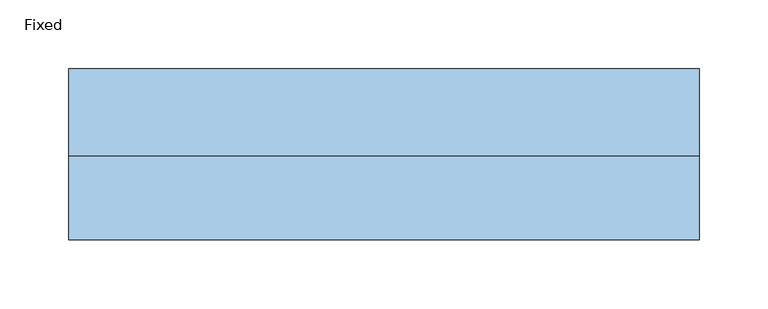
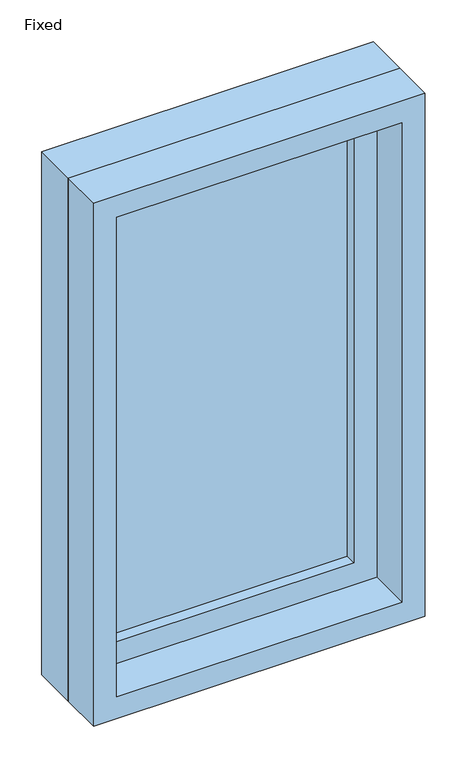
"""IFC4 building model written with IfcOpenShell, lengths in millimetres: window geometry, Fixed."""

from ifc_helpers import new_model, si_unit, frame, origin, place, context, project, spatial, polyline, outline, extrude, source, transform, mapped, element, save


def fixed_e57d0eb2(model_context):
    return source(origin(), model_context, "Body", "SweptSolid", [
        extrude(outline(polyline([(127.0, 14.2875), (-203.2, 14.2875), (-203.2, 26.9875), (127.0, 26.9875), (127.0, 14.2875)])), frame((0.0, 0.0, 1130.3), z_axis=(0.0, 0.0, 1.0), x_axis=(1.0, 0.0, 0.0)), (0.0, 0.0, 1.0), 635.0),
        extrude(outline(polyline([(1809.75, -247.65), (1085.85, -247.65), (1085.85, 171.45), (1809.75, 171.45), (1809.75, -247.65)]), holes=[polyline([(1765.3, -203.2), (1765.3, 127.0), (1130.3, 127.0), (1130.3, -203.2), (1765.3, -203.2)])]), frame((0.0, -1.5875, 0.0), z_axis=(0.0, 1.0, 0.0), x_axis=(0.0, 0.0, 1.0)), (0.0, 0.0, 1.0), 44.45),
        extrude(outline(polyline([(1828.8, -266.7), (1066.8, -266.7), (1066.8, 190.5), (1828.8, 190.5), (1828.8, -266.7)]), holes=[polyline([(1797.05, -234.95), (1797.05, 158.75), (1098.55, 158.75), (1098.55, -234.95), (1797.05, -234.95)])]), frame((0.0, -61.9125, 0.0), z_axis=(0.0, 1.0, 0.0), x_axis=(0.0, 0.0, 1.0)), (0.0, 0.0, 1.0), 60.325),
        extrude(outline(polyline([(1828.8, 190.5), (1828.8, -266.7), (1066.8, -266.7), (1066.8, 190.5), (1828.8, 190.5)]), holes=[polyline([(1809.75, 171.45), (1085.85, 171.45), (1085.85, -247.65), (1809.75, -247.65), (1809.75, 171.45)])]), frame((0.0, -1.5875, 0.0), z_axis=(0.0, 1.0, 0.0), x_axis=(0.0, 0.0, 1.0)), (0.0, 0.0, 1.0), 63.5),
    ])


if __name__ == "__main__":
    model = new_model("IFC4")
    model_context = context("Model", 3, world=origin())
    ifc_project = project(units=[si_unit("LENGTHUNIT", "METRE", prefix="MILLI")], contexts=[model_context])
    site = spatial("IfcSite", under=ifc_project)
    building = spatial("IfcBuilding", under=site)
    placement = place(None, origin())
    fixed_shape = fixed_e57d0eb2(model_context)
    element("IfcWindow", 1, ObjectType="Fixed", at=placement, inside=building, context=model_context, shape_type="MappedRepresentation", body=[
        mapped(fixed_shape, transform((0.0, 0.0, 0.0), x_axis=(1.0, 0.0, 0.0), y_axis=(0.0, 1.0, 0.0), z_axis=(0.0, 0.0, 1.0))),
    ])
    save(model, "model.ifc")
